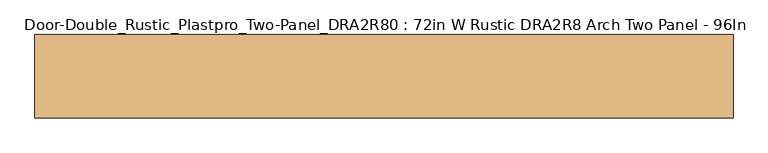
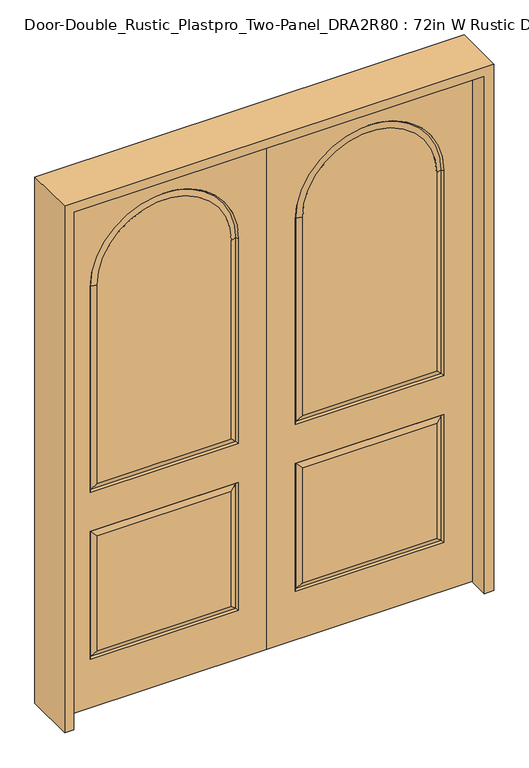
"""IFC4 building model written with IfcOpenShell, lengths in millimetres: door geometry, Door-Double_Rustic_Plastpro_Two-Panel_DRA2R80 : 72in W Rustic DRA2R8 Arch Two Panel - 96In."""

from ifc_helpers import new_model, si_unit, frame, origin, place, context, project, spatial, polyline, circle_curve, outline, extrude, source, transform, mapped, element, save
from ifc_brep_helpers import plane_surface, revolved_surface, advanced_brep


def door_double_rustic_plastpro_two_panel_dra2r80_72in_w_rustic_557de808(model_context):
    return source(origin(), model_context, "Body", "SolidModel", [
        advanced_brep(
        [(0.0, 20.6375, 0.0), (0.0, 20.6375, 2438.4), (914.4, 20.6375, 2438.4), (914.4, 20.6375, 0.0), (787.4, 20.6375, 1016.0), (787.4, 20.6375, 1981.2285447), (127.0, 20.6375, 1981.2285447), (127.0, 20.6375, 1016.0), (787.4, 20.6375, 228.6), (787.4, 20.6375, 831.85), (127.0, 20.6375, 831.85), (127.0, 20.6375, 228.6), (158.20717, 20.6375, 1047.20717), (158.20717, 20.6375, 1981.2285447), (756.19283, 20.6375, 1981.2285447), (756.19283, 20.6375, 1047.20717), (158.20717, 20.6375, 259.80717), (158.20717, 20.6375, 800.64283), (756.19283, 20.6375, 800.64283), (756.19283, 20.6375, 259.80717), (914.4, -20.6375, 0.0), (0.0, -20.6375, 0.0), (914.4, -20.6375, 2438.4), (0.0, -20.6375, 2438.4), (780.6328916, 11.6572439, 1022.7671084), (133.7671084, 11.6572439, 1022.7671084), (133.7671084, 11.6572439, 1981.2285447), (780.6328916, 11.6572439, 1981.2285447), (127.0, -20.6375, 1016.0), (127.0, -20.6375, 1981.2285447), (787.4, -20.6375, 1981.2285447), (787.4, -20.6375, 1016.0), (127.0, -20.6375, 228.6), (127.0, -20.6375, 831.85), (787.4, -20.6375, 831.85), (787.4, -20.6375, 228.6), (756.19283, -20.6375, 1047.20717), (756.19283, -20.6375, 1981.2285447), (158.20717, -20.6375, 1981.2285447), (158.20717, -20.6375, 1047.20717), (756.19283, -20.6375, 259.80717), (756.19283, -20.6375, 800.64283), (158.20717, -20.6375, 800.64283), (158.20717, -20.6375, 259.80717), (780.6328916, -11.6572439, 1022.7671084), (133.7671084, -11.6572439, 1022.7671084), (780.6328916, -11.6572439, 1981.2285447), (133.7671084, -11.6572439, 1981.2285447), (780.6328916, 11.6572439, 235.3671084), (133.7671084, 11.6572439, 235.3671084), (780.6328916, 11.6572439, 825.0828916), (133.7671084, 11.6572439, 825.0828916), (780.6328916, -11.6572439, 235.3671084), (133.7671084, -11.6572439, 235.3671084), (780.6328916, -11.6572439, 825.0828916), (133.7671084, -11.6572439, 825.0828916)],
        [
            (0, 1),
            (1, 2),
            (2, 3),
            (3, 0),
            (4, 5),
            (5, 6, circle_curve(frame((457.2, 20.6375, 1981.2285447), z_axis=(0.0, -1.0, 0.0), x_axis=(-1.0, 0.0, 0.0)), 330.2)),
            (6, 7),
            (7, 4),
            (8, 9),
            (9, 10),
            (10, 11),
            (11, 8),
            (12, 13),
            (13, 14, circle_curve(frame((457.2, 20.6375, 1981.2285447), z_axis=(0.0, 1.0, 0.0), x_axis=(-1.0, 0.0, 0.0)), 298.99283)),
            (14, 15),
            (15, 12),
            (16, 17),
            (17, 18),
            (18, 19),
            (19, 16),
            (3, 20),
            (20, 21),
            (21, 0),
            (2, 22),
            (22, 20),
            (21, 23),
            (23, 1),
            (24, 4),
            (7, 25),
            (25, 24),
            (6, 26),
            (26, 25),
            (24, 27),
            (27, 5),
            (26, 13),
            (12, 25),
            (15, 24),
            (14, 27),
            (22, 23),
            (28, 29),
            (29, 30, circle_curve(frame((457.2, -20.6375, 1981.2285447), z_axis=(0.0, 1.0, 0.0), x_axis=(-1.0, 0.0, 0.0)), 330.2)),
            (30, 31),
            (31, 28),
            (32, 33),
            (33, 34),
            (34, 35),
            (35, 32),
            (36, 37),
            (37, 38, circle_curve(frame((457.2, -20.6375, 1981.2285447), z_axis=(0.0, -1.0, 0.0), x_axis=(-1.0, 0.0, 0.0)), 298.99283)),
            (38, 39),
            (39, 36),
            (40, 41),
            (41, 42),
            (42, 43),
            (43, 40),
            (31, 44),
            (44, 45),
            (45, 28),
            (30, 46),
            (46, 44),
            (45, 47),
            (47, 29),
            (44, 36),
            (39, 45),
            (38, 47),
            (46, 37),
            (19, 48),
            (48, 49),
            (49, 16),
            (18, 50),
            (50, 48),
            (51, 50),
            (17, 51),
            (49, 51),
            (48, 8),
            (11, 49),
            (10, 51),
            (9, 50),
            (35, 52),
            (52, 53),
            (53, 32),
            (34, 54),
            (54, 52),
            (55, 54),
            (33, 55),
            (53, 55),
            (52, 40),
            (43, 53),
            (42, 55),
            (41, 54),
            (27, 26, circle_curve(frame((457.2, 11.6572439, 1981.2285447), z_axis=(0.0, -1.0, 0.0), x_axis=(-1.0, 0.0, 0.0)), 323.4328916)),
            (47, 46, circle_curve(frame((457.2, -11.6572439, 1981.2285447), z_axis=(0.0, 1.0, 0.0), x_axis=(-1.0, 0.0, 0.0)), 323.4328916)),
        ],
        [
            plane_surface(frame((457.2, 20.6375, 0.0), z_axis=(0.0, 1.0, 0.0), x_axis=(0.0, 0.0, 1.0))),
            plane_surface(frame((0.0, 20.6375, 0.0), z_axis=(0.0, 0.0, -1.0), x_axis=(0.0, -1.0, 0.0))),
            plane_surface(frame((914.4, 20.6375, 0.0), z_axis=(1.0, 0.0, 0.0), x_axis=(0.0, -1.0, 0.0))),
            plane_surface(frame((0.0, 20.6375, 2438.4), z_axis=(-1.0, 0.0, 0.0), x_axis=(0.0, -1.0, 0.0))),
            plane_surface(frame((787.4, 20.6375, 1016.0), z_axis=(0.0, 0.6018150231520503, 0.7986355100472915), x_axis=(-1.0, 0.0, 0.0))),
            plane_surface(frame((127.0, 20.6375, 1016.0), z_axis=(0.7986355100472915, 0.6018150231520503, 0.0), x_axis=(0.0, 0.0, 1.0))),
            plane_surface(frame((787.4, 20.6375, 1981.2285447), z_axis=(-0.7986355100472915, 0.6018150231520503, 0.0), x_axis=(0.0, 0.0, -1.0))),
            plane_surface(frame((133.7671084, 11.6572439, 1022.7671084), z_axis=(-0.3448944226500051, 0.938641484926444, 0.0), x_axis=(0.0, 0.0, 1.0))),
            plane_surface(frame((780.6328916, 11.6572439, 1022.7671084), z_axis=(0.0, 0.938641484926444, -0.3448944226500051), x_axis=(-1.0, 0.0, 0.0))),
            plane_surface(frame((780.6328916, 11.6572439, 1981.2285447), z_axis=(0.3448944226500051, 0.938641484926444, 0.0), x_axis=(0.0, 0.0, -1.0))),
            plane_surface(frame((457.2, -20.6375, 0.0), z_axis=(0.0, -1.0, 0.0), x_axis=(0.0, 0.0, 1.0))),
            plane_surface(frame((780.6328916, -11.6572439, 1022.7671084), z_axis=(0.0, -0.6018150231520504, 0.7986355100472914), x_axis=(-1.0, 0.0, 0.0))),
            plane_surface(frame((780.6328916, -11.6572439, 1981.2285447), z_axis=(-0.7986355100472914, -0.6018150231520504, 0.0), x_axis=(0.0, 0.0, -1.0))),
            plane_surface(frame((133.7671084, -11.6572439, 1022.7671084), z_axis=(0.7986355100472914, -0.6018150231520504, 0.0), x_axis=(0.0, 0.0, 1.0))),
            plane_surface(frame((756.19283, -20.6375, 1047.20717), z_axis=(0.0, -0.938641484926444, -0.3448944226500049), x_axis=(-1.0, 0.0, 0.0))),
            plane_surface(frame((158.20717, -20.6375, 1047.20717), z_axis=(-0.3448944226500049, -0.938641484926444, 0.0), x_axis=(0.0, 0.0, 1.0))),
            plane_surface(frame((756.19283, -20.6375, 1981.2285447), z_axis=(0.3448944226500049, -0.938641484926444, 0.0), x_axis=(0.0, 0.0, -1.0))),
            plane_surface(frame((914.4, 20.6375, 2438.4), z_axis=(0.0, 0.0, 1.0), x_axis=(0.0, -1.0, 0.0))),
            plane_surface(frame((780.6328916, 11.6572439, 235.3671084), z_axis=(0.0, 0.938641484926444, -0.344894422650005), x_axis=(-1.0, 0.0, 0.0))),
            plane_surface(frame((780.6328916, 11.6572439, 825.0828916), z_axis=(0.344894422650005, 0.938641484926444, 0.0), x_axis=(0.0, 0.0, -1.0))),
            plane_surface(frame((133.7671084, 11.6572439, 825.0828916), z_axis=(0.0, 0.938641484926444, 0.344894422650005), x_axis=(1.0, 0.0, 0.0))),
            plane_surface(frame((133.7671084, 11.6572439, 235.3671084), z_axis=(-0.344894422650005, 0.938641484926444, 0.0), x_axis=(0.0, 0.0, 1.0))),
            plane_surface(frame((787.4, 20.6375, 228.6), z_axis=(0.0, 0.6018150231520503, 0.7986355100472914), x_axis=(-1.0, 0.0, 0.0))),
            plane_surface(frame((127.0, 20.6375, 228.6), z_axis=(0.7986355100472914, 0.6018150231520503, 0.0), x_axis=(0.0, 0.0, 1.0))),
            plane_surface(frame((127.0, 20.6375, 831.85), z_axis=(0.0, 0.6018150231520503, -0.7986355100472914), x_axis=(1.0, 0.0, 0.0))),
            plane_surface(frame((787.4, 20.6375, 831.85), z_axis=(-0.7986355100472914, 0.6018150231520503, 0.0), x_axis=(0.0, 0.0, -1.0))),
            plane_surface(frame((780.6328916, -11.6572439, 235.3671084), z_axis=(0.0, -0.6018150231520503, 0.7986355100472915), x_axis=(-1.0, 0.0, 0.0))),
            plane_surface(frame((780.6328916, -11.6572439, 825.0828916), z_axis=(-0.7986355100472915, -0.6018150231520503, 0.0), x_axis=(0.0, 0.0, -1.0))),
            plane_surface(frame((133.7671084, -11.6572439, 825.0828916), z_axis=(0.0, -0.6018150231520503, -0.7986355100472915), x_axis=(1.0, 0.0, 0.0))),
            plane_surface(frame((133.7671084, -11.6572439, 235.3671084), z_axis=(0.7986355100472915, -0.6018150231520503, 0.0), x_axis=(0.0, 0.0, 1.0))),
            plane_surface(frame((756.19283, -20.6375, 259.80717), z_axis=(0.0, -0.938641484926444, -0.3448944226500051), x_axis=(-1.0, 0.0, 0.0))),
            plane_surface(frame((158.20717, -20.6375, 259.80717), z_axis=(-0.3448944226500051, -0.938641484926444, 0.0), x_axis=(0.0, 0.0, 1.0))),
            plane_surface(frame((158.20717, -20.6375, 800.64283), z_axis=(0.0, -0.938641484926444, 0.3448944226500051), x_axis=(1.0, 0.0, 0.0))),
            plane_surface(frame((756.19283, -20.6375, 800.64283), z_axis=(0.3448944226500051, -0.938641484926444, 0.0), x_axis=(0.0, 0.0, -1.0))),
            revolved_surface(polyline([(133.7671084, 11.6572439, 1981.2285447), (127.0, 20.6375, 1981.2285447)]), (457.2, 0.0, 1981.2285447), (0.0, -1.0, 0.0)),
            revolved_surface(polyline([(127.0, -20.6375, 1981.2285447), (133.7671084, -11.6572439, 1981.2285447)]), (457.2, 0.0, 1981.2285447), (0.0, -1.0, 0.0)),
            revolved_surface(polyline([(133.7671084, -11.6572439, 1981.2285447), (158.20717, -20.6375, 1981.2285447)]), (457.2, 0.0, 1981.2285447), (0.0, -1.0, 0.0)),
            revolved_surface(polyline([(158.20717, 20.6375, 1981.2285447), (133.7671084, 11.6572439, 1981.2285447)]), (457.2, 0.0, 1981.2285447), (0.0, -1.0, 0.0)),
        ],
        [
            (0, [[1, 2, 3, 4], [5, 6, 7, 8], [9, 10, 11, 12]]),
            (0, [[13, 14, 15, 16]]),
            (0, [[17, 18, 19, 20]]),
            (1, [[21, 22, 23, -4]]),
            (2, [[24, 25, -21, -3]]),
            (3, [[-23, 26, 27, -1]]),
            (4, [[28, -8, 29, 30]]),
            (5, [[-7, 31, 32, -29]]),
            (6, [[33, 34, -5, -28]]),
            (7, [[-32, 35, -13, 36]]),
            (8, [[-16, 37, -30, -36]]),
            (9, [[-15, 38, -33, -37]]),
            (10, [[-22, -25, 39, -26], [40, 41, 42, 43], [44, 45, 46, 47]]),
            (10, [[48, 49, 50, 51]]),
            (10, [[52, 53, 54, 55]]),
            (11, [[-43, 56, 57, 58]]),
            (12, [[-42, 59, 60, -56]]),
            (13, [[61, 62, -40, -58]]),
            (14, [[63, -51, 64, -57]]),
            (15, [[-50, 65, -61, -64]]),
            (16, [[-60, 66, -48, -63]]),
            (17, [[-27, -39, -24, -2]]),
            (18, [[-20, 67, 68, 69]]),
            (19, [[-19, 70, 71, -67]]),
            (20, [[72, -70, -18, 73]]),
            (21, [[74, -73, -17, -69]]),
            (22, [[75, -12, 76, -68]]),
            (23, [[-11, 77, -74, -76]]),
            (24, [[-10, 78, -72, -77]]),
            (25, [[-71, -78, -9, -75]]),
            (26, [[-47, 79, 80, 81]]),
            (27, [[-46, 82, 83, -79]]),
            (28, [[84, -82, -45, 85]]),
            (29, [[86, -85, -44, -81]]),
            (30, [[87, -55, 88, -80]]),
            (31, [[-54, 89, -86, -88]]),
            (32, [[-53, 90, -84, -89]]),
            (33, [[-83, -90, -52, -87]]),
            (34, [[-6, -34, 91, -31]]),
            (35, [[92, -59, -41, -62]]),
            (36, [[-49, -66, -92, -65]]),
            (37, [[-91, -38, -14, -35]]),
        ],
    ),
        advanced_brep(
        [(0.0, 20.6375, 0.0), (-914.4, 20.6375, 0.0), (-914.4, 20.6375, 2438.4), (0.0, 20.6375, 2438.4), (-787.4, 20.6375, 1016.0), (-127.0, 20.6375, 1016.0), (-127.0, 20.6375, 1981.2285447), (-787.4, 20.6375, 1981.2285447), (-787.4, 20.6375, 228.6), (-127.0, 20.6375, 228.6), (-127.0, 20.6375, 831.85), (-787.4, 20.6375, 831.85), (-158.20717, 20.6375, 1047.20717), (-756.19283, 20.6375, 1047.20717), (-756.19283, 20.6375, 1981.2285447), (-158.20717, 20.6375, 1981.2285447), (-158.20717, 20.6375, 259.80717), (-756.19283, 20.6375, 259.80717), (-756.19283, 20.6375, 800.64283), (-158.20717, 20.6375, 800.64283), (0.0, -20.6375, 0.0), (-914.4, -20.6375, 0.0), (-914.4, -20.6375, 2438.4), (0.0, -20.6375, 2438.4), (-780.6328916, 11.6572439, 1022.7671084), (-133.7671084, 11.6572439, 1022.7671084), (-133.7671084, 11.6572439, 1981.2285447), (-780.6328916, 11.6572439, 1981.2285447), (-127.0, -20.6375, 1016.0), (-787.4, -20.6375, 1016.0), (-787.4, -20.6375, 1981.2285447), (-127.0, -20.6375, 1981.2285447), (-127.0, -20.6375, 228.6), (-787.4, -20.6375, 228.6), (-787.4, -20.6375, 831.85), (-127.0, -20.6375, 831.85), (-756.19283, -20.6375, 1047.20717), (-158.20717, -20.6375, 1047.20717), (-158.20717, -20.6375, 1981.2285447), (-756.19283, -20.6375, 1981.2285447), (-756.19283, -20.6375, 259.80717), (-158.20717, -20.6375, 259.80717), (-158.20717, -20.6375, 800.64283), (-756.19283, -20.6375, 800.64283), (-133.7671084, -11.6572439, 1022.7671084), (-780.6328916, -11.6572439, 1022.7671084), (-780.6328916, -11.6572439, 1981.2285447), (-133.7671084, -11.6572439, 1981.2285447), (-133.7671084, 11.6572439, 235.3671084), (-780.6328916, 11.6572439, 235.3671084), (-780.6328916, 11.6572439, 825.0828916), (-133.7671084, 11.6572439, 825.0828916), (-133.7671084, -11.6572439, 235.3671084), (-780.6328916, -11.6572439, 235.3671084), (-780.6328916, -11.6572439, 825.0828916), (-133.7671084, -11.6572439, 825.0828916)],
        [
            (0, 1),
            (1, 2),
            (2, 3),
            (3, 0),
            (4, 5),
            (5, 6),
            (6, 7, circle_curve(frame((-457.2, 20.6375, 1981.2285447), z_axis=(0.0, -1.0, 0.0), x_axis=(1.0, 0.0, 0.0)), 330.2)),
            (7, 4),
            (8, 9),
            (9, 10),
            (10, 11),
            (11, 8),
            (12, 13),
            (13, 14),
            (14, 15, circle_curve(frame((-457.2, 20.6375, 1981.2285447), z_axis=(0.0, 1.0, 0.0), x_axis=(1.0, 0.0, 0.0)), 298.99283)),
            (15, 12),
            (16, 17),
            (17, 18),
            (18, 19),
            (19, 16),
            (0, 20),
            (20, 21),
            (21, 1),
            (21, 22),
            (22, 2),
            (3, 23),
            (23, 20),
            (24, 25),
            (25, 5),
            (4, 24),
            (25, 26),
            (26, 6),
            (7, 27),
            (27, 24),
            (25, 12),
            (15, 26),
            (24, 13),
            (27, 14),
            (23, 22),
            (28, 29),
            (29, 30),
            (30, 31, circle_curve(frame((-457.2, -20.6375, 1981.2285447), z_axis=(0.0, 1.0, 0.0), x_axis=(1.0, 0.0, 0.0)), 330.2)),
            (31, 28),
            (32, 33),
            (33, 34),
            (34, 35),
            (35, 32),
            (36, 37),
            (37, 38),
            (38, 39, circle_curve(frame((-457.2, -20.6375, 1981.2285447), z_axis=(0.0, -1.0, 0.0), x_axis=(1.0, 0.0, 0.0)), 298.99283)),
            (39, 36),
            (40, 41),
            (41, 42),
            (42, 43),
            (43, 40),
            (28, 44),
            (44, 45),
            (45, 29),
            (45, 46),
            (46, 30),
            (31, 47),
            (47, 44),
            (44, 37),
            (36, 45),
            (47, 38),
            (39, 46),
            (16, 48),
            (48, 49),
            (49, 17),
            (49, 50),
            (50, 18),
            (51, 19),
            (50, 51),
            (51, 48),
            (48, 9),
            (8, 49),
            (51, 10),
            (50, 11),
            (32, 52),
            (52, 53),
            (53, 33),
            (53, 54),
            (54, 34),
            (55, 35),
            (54, 55),
            (55, 52),
            (52, 41),
            (40, 53),
            (55, 42),
            (54, 43),
            (26, 27, circle_curve(frame((-457.2, 11.6572439, 1981.2285447), z_axis=(0.0, -1.0, 0.0), x_axis=(1.0, 0.0, 0.0)), 323.4328916)),
            (46, 47, circle_curve(frame((-457.2, -11.6572439, 1981.2285447), z_axis=(0.0, 1.0, 0.0), x_axis=(1.0, 0.0, 0.0)), 323.4328916)),
        ],
        [
            plane_surface(frame((-457.2, 20.6375, 0.0), z_axis=(0.0, 1.0, 0.0), x_axis=(0.0, 0.0, 1.0))),
            plane_surface(frame((0.0, 20.6375, 0.0), z_axis=(0.0, 0.0, -1.0), x_axis=(0.0, -1.0, 0.0))),
            plane_surface(frame((-914.4, 20.6375, 0.0), z_axis=(-1.0, 0.0, 0.0), x_axis=(0.0, -1.0, 0.0))),
            plane_surface(frame((0.0, 20.6375, 2438.4), z_axis=(1.0, 0.0, 0.0), x_axis=(0.0, -1.0, 0.0))),
            plane_surface(frame((-787.4, 20.6375, 1016.0), z_axis=(0.0, 0.6018150231520503, 0.7986355100472915), x_axis=(1.0, 0.0, 0.0))),
            plane_surface(frame((-127.0, 20.6375, 1016.0), z_axis=(-0.7986355100472915, 0.6018150231520503, 0.0), x_axis=(0.0, 0.0, 1.0))),
            plane_surface(frame((-787.4, 20.6375, 1981.2285447), z_axis=(0.7986355100472915, 0.6018150231520503, 0.0), x_axis=(0.0, 0.0, -1.0))),
            plane_surface(frame((-133.7671084, 11.6572439, 1022.7671084), z_axis=(0.3448944226500051, 0.938641484926444, 0.0), x_axis=(0.0, 0.0, 1.0))),
            plane_surface(frame((-780.6328916, 11.6572439, 1022.7671084), z_axis=(0.0, 0.938641484926444, -0.3448944226500051), x_axis=(1.0, 0.0, 0.0))),
            plane_surface(frame((-780.6328916, 11.6572439, 1981.2285447), z_axis=(-0.3448944226500051, 0.938641484926444, 0.0), x_axis=(0.0, 0.0, -1.0))),
            plane_surface(frame((-457.2, -20.6375, 0.0), z_axis=(0.0, -1.0, 0.0), x_axis=(0.0, 0.0, 1.0))),
            plane_surface(frame((-780.6328916, -11.6572439, 1022.7671084), z_axis=(0.0, -0.6018150231520504, 0.7986355100472914), x_axis=(1.0, 0.0, 0.0))),
            plane_surface(frame((-780.6328916, -11.6572439, 1981.2285447), z_axis=(0.7986355100472914, -0.6018150231520504, 0.0), x_axis=(0.0, 0.0, -1.0))),
            plane_surface(frame((-133.7671084, -11.6572439, 1022.7671084), z_axis=(-0.7986355100472914, -0.6018150231520504, 0.0), x_axis=(0.0, 0.0, 1.0))),
            plane_surface(frame((-756.19283, -20.6375, 1047.20717), z_axis=(0.0, -0.938641484926444, -0.3448944226500049), x_axis=(1.0, 0.0, 0.0))),
            plane_surface(frame((-158.20717, -20.6375, 1047.20717), z_axis=(0.3448944226500049, -0.938641484926444, 0.0), x_axis=(0.0, 0.0, 1.0))),
            plane_surface(frame((-756.19283, -20.6375, 1981.2285447), z_axis=(-0.3448944226500049, -0.938641484926444, 0.0), x_axis=(0.0, 0.0, -1.0))),
            plane_surface(frame((-914.4, 20.6375, 2438.4), z_axis=(0.0, 0.0, 1.0), x_axis=(0.0, -1.0, 0.0))),
            plane_surface(frame((-780.6328916, 11.6572439, 235.3671084), z_axis=(0.0, 0.938641484926444, -0.344894422650005), x_axis=(1.0, 0.0, 0.0))),
            plane_surface(frame((-780.6328916, 11.6572439, 825.0828916), z_axis=(-0.344894422650005, 0.938641484926444, 0.0), x_axis=(0.0, 0.0, -1.0))),
            plane_surface(frame((-133.7671084, 11.6572439, 825.0828916), z_axis=(0.0, 0.938641484926444, 0.344894422650005), x_axis=(-1.0, 0.0, 0.0))),
            plane_surface(frame((-133.7671084, 11.6572439, 235.3671084), z_axis=(0.344894422650005, 0.938641484926444, 0.0), x_axis=(0.0, 0.0, 1.0))),
            plane_surface(frame((-787.4, 20.6375, 228.6), z_axis=(0.0, 0.6018150231520503, 0.7986355100472914), x_axis=(1.0, 0.0, 0.0))),
            plane_surface(frame((-127.0, 20.6375, 228.6), z_axis=(-0.7986355100472914, 0.6018150231520503, 0.0), x_axis=(0.0, 0.0, 1.0))),
            plane_surface(frame((-127.0, 20.6375, 831.85), z_axis=(0.0, 0.6018150231520503, -0.7986355100472914), x_axis=(-1.0, 0.0, 0.0))),
            plane_surface(frame((-787.4, 20.6375, 831.85), z_axis=(0.7986355100472914, 0.6018150231520503, 0.0), x_axis=(0.0, 0.0, -1.0))),
            plane_surface(frame((-780.6328916, -11.6572439, 235.3671084), z_axis=(0.0, -0.6018150231520503, 0.7986355100472915), x_axis=(1.0, 0.0, 0.0))),
            plane_surface(frame((-780.6328916, -11.6572439, 825.0828916), z_axis=(0.7986355100472915, -0.6018150231520503, 0.0), x_axis=(0.0, 0.0, -1.0))),
            plane_surface(frame((-133.7671084, -11.6572439, 825.0828916), z_axis=(0.0, -0.6018150231520503, -0.7986355100472915), x_axis=(-1.0, 0.0, 0.0))),
            plane_surface(frame((-133.7671084, -11.6572439, 235.3671084), z_axis=(-0.7986355100472915, -0.6018150231520503, 0.0), x_axis=(0.0, 0.0, 1.0))),
            plane_surface(frame((-756.19283, -20.6375, 259.80717), z_axis=(0.0, -0.938641484926444, -0.3448944226500051), x_axis=(1.0, 0.0, 0.0))),
            plane_surface(frame((-158.20717, -20.6375, 259.80717), z_axis=(0.3448944226500051, -0.938641484926444, 0.0), x_axis=(0.0, 0.0, 1.0))),
            plane_surface(frame((-158.20717, -20.6375, 800.64283), z_axis=(0.0, -0.938641484926444, 0.3448944226500051), x_axis=(-1.0, 0.0, 0.0))),
            plane_surface(frame((-756.19283, -20.6375, 800.64283), z_axis=(-0.3448944226500051, -0.938641484926444, 0.0), x_axis=(0.0, 0.0, -1.0))),
            revolved_surface(polyline([(-133.7671084, 11.6572439, 1981.2285447), (-127.0, 20.6375, 1981.2285447)]), (-457.2, 0.0, 1981.2285447), (0.0, -1.0, 0.0)),
            revolved_surface(polyline([(-127.0, -20.6375, 1981.2285447), (-133.7671084, -11.6572439, 1981.2285447)]), (-457.2, 0.0, 1981.2285447), (0.0, -1.0, 0.0)),
            revolved_surface(polyline([(-133.7671084, -11.6572439, 1981.2285447), (-158.20717, -20.6375, 1981.2285447)]), (-457.2, 0.0, 1981.2285447), (0.0, -1.0, 0.0)),
            revolved_surface(polyline([(-158.20717, 20.6375, 1981.2285447), (-133.7671084, 11.6572439, 1981.2285447)]), (-457.2, 0.0, 1981.2285447), (0.0, -1.0, 0.0)),
        ],
        [
            (0, [[1, 2, 3, 4], [5, 6, 7, 8], [9, 10, 11, 12]]),
            (0, [[13, 14, 15, 16]]),
            (0, [[17, 18, 19, 20]]),
            (1, [[-1, 21, 22, 23]]),
            (2, [[-2, -23, 24, 25]]),
            (3, [[-4, 26, 27, -21]]),
            (4, [[28, 29, -5, 30]]),
            (5, [[-29, 31, 32, -6]]),
            (6, [[-30, -8, 33, 34]]),
            (7, [[35, -16, 36, -31]]),
            (8, [[-35, -28, 37, -13]]),
            (9, [[-37, -34, 38, -14]]),
            (10, [[-27, 39, -24, -22], [40, 41, 42, 43], [44, 45, 46, 47]]),
            (10, [[48, 49, 50, 51]]),
            (10, [[52, 53, 54, 55]]),
            (11, [[56, 57, 58, -40]]),
            (12, [[-58, 59, 60, -41]]),
            (13, [[-56, -43, 61, 62]]),
            (14, [[-57, 63, -48, 64]]),
            (15, [[-63, -62, 65, -49]]),
            (16, [[-64, -51, 66, -59]]),
            (17, [[-3, -25, -39, -26]]),
            (18, [[67, 68, 69, -17]]),
            (19, [[-69, 70, 71, -18]]),
            (20, [[72, -19, -71, 73]]),
            (21, [[-67, -20, -72, 74]]),
            (22, [[-68, 75, -9, 76]]),
            (23, [[-75, -74, 77, -10]]),
            (24, [[-77, -73, 78, -11]]),
            (25, [[-76, -12, -78, -70]]),
            (26, [[79, 80, 81, -44]]),
            (27, [[-81, 82, 83, -45]]),
            (28, [[84, -46, -83, 85]]),
            (29, [[-79, -47, -84, 86]]),
            (30, [[-80, 87, -52, 88]]),
            (31, [[-87, -86, 89, -53]]),
            (32, [[-89, -85, 90, -54]]),
            (33, [[-88, -55, -90, -82]]),
            (34, [[-32, 91, -33, -7]]),
            (35, [[-61, -42, -60, 92]]),
            (36, [[-65, -92, -66, -50]]),
            (37, [[-36, -15, -38, -91]]),
        ],
    ),
        extrude(outline(polyline([(2479.675, -955.675), (0.0, -955.675), (0.0, -914.4), (2438.4, -914.4), (2438.4, 914.4), (0.0, 914.4), (0.0, 955.675), (2479.675, 955.675), (2479.675, -955.675)])), frame((0.0, -114.3, 0.0), z_axis=(0.0, 1.0, 0.0), x_axis=(0.0, 0.0, 1.0)), (0.0, 0.0, 1.0), 228.6),
    ])


if __name__ == "__main__":
    model = new_model("IFC4")
    model_context = context("Model", 3, world=origin())
    ifc_project = project(units=[si_unit("LENGTHUNIT", "METRE", prefix="MILLI")], contexts=[model_context])
    site = spatial("IfcSite", under=ifc_project)
    building = spatial("IfcBuilding", under=site)
    placement = place(None, origin())
    door_double_rustic_plastpro_two_panel_dra2r80_72in_w_rustic_shape = door_double_rustic_plastpro_two_panel_dra2r80_72in_w_rustic_557de808(model_context)
    element("IfcDoor", 1, ObjectType="Door-Double_Rustic_Plastpro_Two-Panel_DRA2R80 : 72in W Rustic DRA2R8 Arch Two Panel - 96In", at=placement, inside=building, context=model_context, shape_type="MappedRepresentation", body=[
        mapped(door_double_rustic_plastpro_two_panel_dra2r80_72in_w_rustic_shape, transform((0.0, 0.0, 0.0), x_axis=(1.0, 0.0, 0.0), y_axis=(0.0, 1.0, 0.0), z_axis=(0.0, 0.0, 1.0))),
    ])
    save(model, "model.ifc")
